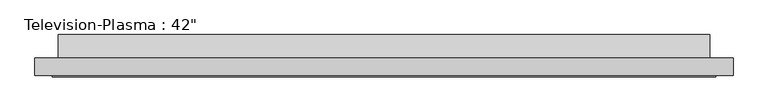
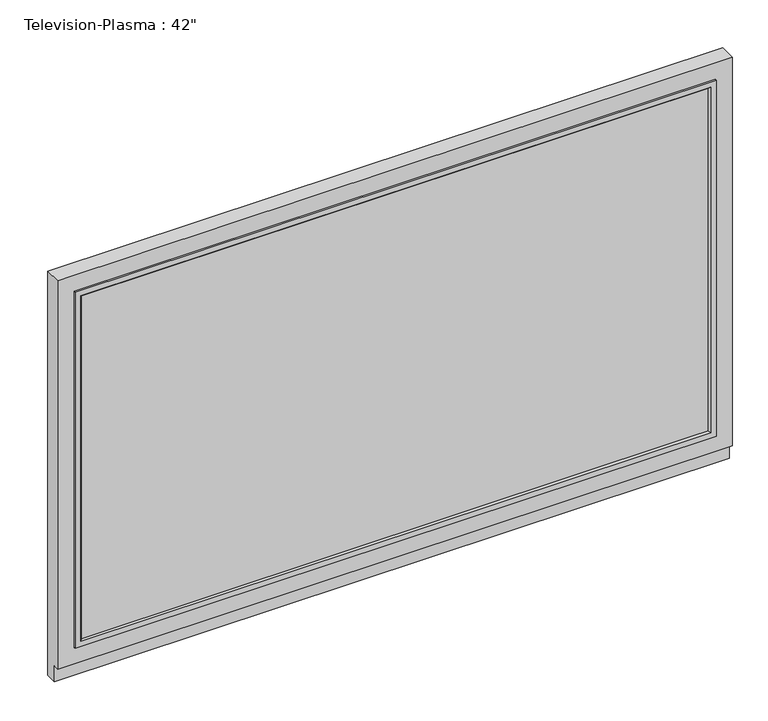
"""IFC4 building model written with IfcOpenShell, lengths in millimetres: furniture geometry."""

from ifc_helpers import new_model, si_unit, frame, origin, place, context, project, spatial, polyline, outline, extrude, faceted_brep, source, transform, mapped, element, save


def furniture_af332ddc(model_context):
    return source(origin(), model_context, "Body", "SolidModel", [
        faceted_brep([(819.15, -50.8, 965.2), (-704.85, -50.8, 965.2), (-704.85, -88.9, 965.2), (819.15, -88.9, 965.2), (-704.85, -50.8, 0.0), (819.15, -50.8, 0.0), (819.15, -76.2, 0.0), (-704.85, -76.2, 0.0), (-704.85, -76.2, 38.1), (-704.85, -88.9, 38.1), (819.15, -88.9, 38.1), (781.05, -88.9, 927.1), (781.05, -88.9, 76.2), (-666.75, -88.9, 76.2), (-666.75, -88.9, 927.1), (819.15, -76.2, 38.1), (781.05, -74.1720413, 927.1), (-666.75, -74.1720413, 927.1), (-666.75, -74.1720413, 76.2), (781.05, -74.1720413, 76.2)], [[[0, 1, 2, 3]], [[4, 5, 6, 7]], [[1, 0, 5, 4]], [[2, 1, 4, 7, 8, 9]], [[3, 2, 9, 10], [11, 12, 13, 14]], [[0, 3, 10, 15, 6, 5]], [[16, 17, 18, 19]], [[16, 19, 12, 11]], [[19, 18, 13, 12]], [[18, 17, 14, 13]], [[17, 16, 11, 14]], [[15, 8, 7, 6]], [[8, 15, 10, 9]]]),
        faceted_brep([(765.175, -88.9, 92.075), (768.35, -92.075, 88.9), (768.35, -92.075, 913.60625), (765.175, -88.9, 910.43125), (768.35, -74.1720413, 88.9), (768.35, -88.9, 88.9), (768.35, -88.9, 913.60625), (768.35, -74.1720413, 913.60625), (781.05, -92.075, 76.2), (781.05, -74.1720413, 76.2), (781.05, -74.1720413, 926.30625), (781.05, -92.075, 926.30625), (-654.05, -92.075, 913.60625), (-650.875, -88.9, 910.43125), (-654.05, -88.9, 913.60625), (-654.05, -74.1720413, 913.60625), (-666.75, -74.1720413, 926.30625), (-666.75, -92.075, 926.30625), (-654.05, -92.075, 88.9), (-650.875, -88.9, 92.075), (-654.05, -88.9, 88.9), (-654.05, -74.1720413, 88.9), (-666.75, -74.1720413, 76.2), (-666.75, -92.075, 76.2)], [[[0, 1, 2, 3]], [[4, 5, 6, 7]], [[8, 9, 10, 11]], [[3, 2, 12, 13]], [[7, 6, 14, 15]], [[11, 10, 16, 17]], [[13, 12, 18, 19]], [[15, 14, 20, 21]], [[17, 16, 22, 23]], [[11, 17, 23, 8], [1, 18, 12, 2]], [[19, 18, 1, 0]], [[5, 20, 14, 6], [3, 13, 19, 0]], [[21, 20, 5, 4]], [[9, 22, 16, 10], [7, 15, 21, 4]], [[23, 22, 9, 8]]]),
        extrude(outline(polyline([(768.35, -88.9), (-654.05, -88.9), (-654.05, -74.1720413), (768.35, -74.1720413), (768.35, -88.9)])), frame((0.0, 0.0, 88.9), z_axis=(0.0, 0.0, 1.0), x_axis=(1.0, 0.0, 0.0)), (0.0, 0.0, 1.0), 825.5),
        extrude(outline(polyline([(0.0, 879.6688953), (0.0, 38.1), (-50.8, 38.1), (-50.8, 914.4), (0.0, 879.6688953)])), frame((-654.05, 0.0, 0.0), z_axis=(1.0, 0.0, 0.0), x_axis=(0.0, 1.0, 0.0)), (0.0, 0.0, 1.0), 1422.4),
    ])


if __name__ == "__main__":
    model = new_model("IFC4")
    model_context = context("Model", 3, world=origin())
    ifc_project = project(units=[si_unit("LENGTHUNIT", "METRE", prefix="MILLI")], contexts=[model_context])
    site = spatial("IfcSite", under=ifc_project)
    building = spatial("IfcBuilding", under=site)
    placement = place(None, origin())
    furniture_shape = furniture_af332ddc(model_context)
    element("IfcFurniture", 1, ObjectType="Television-Plasma : 42\"", at=placement, inside=building, context=model_context, shape_type="MappedRepresentation", body=[
        mapped(furniture_shape, transform((0.0, 0.0, 0.0), x_axis=(1.0, 0.0, 0.0), y_axis=(0.0, 1.0, 0.0), z_axis=(0.0, 0.0, 1.0))),
    ])
    save(model, "model.ifc")
